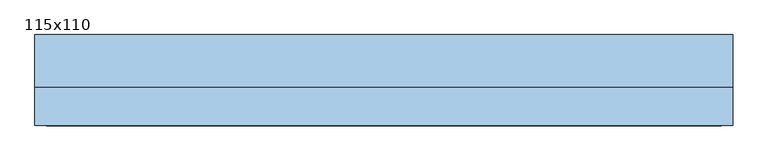
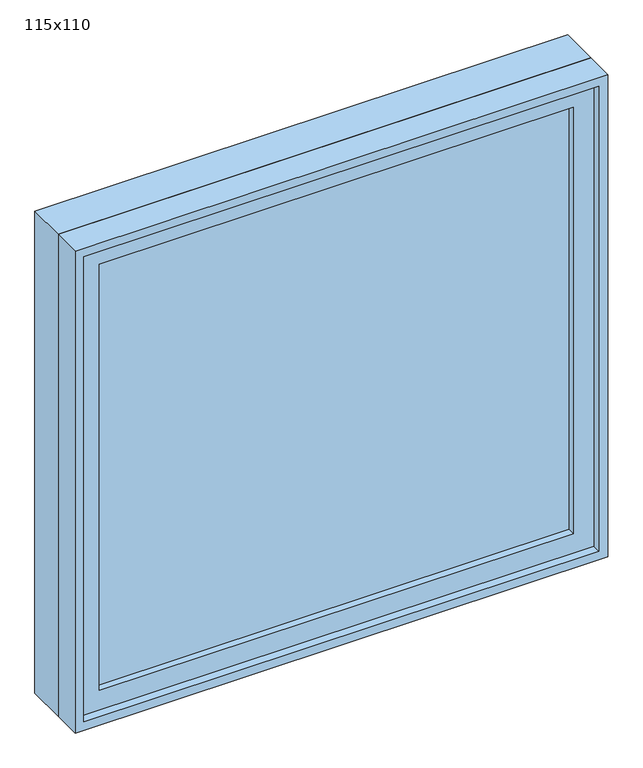
"""IFC4 building model written with IfcOpenShell, lengths in millimetres: window geometry, 115x110."""

from ifc_helpers import new_model, si_unit, frame, origin, place, context, project, spatial, polyline, outline, extrude, source, transform, mapped, element, save


def window_115x110_1fe9a03f(model_context):
    return source(origin(), model_context, "Body", "SweptSolid", [
        extrude(outline(polyline([(473.4, -27.375), (473.4, -40.075), (-549.6, -40.075), (-549.6, -27.375), (473.4, -27.375)])), frame((0.0, 0.0, 977.9), z_axis=(0.0, 0.0, 1.0), x_axis=(1.0, 0.0, 0.0)), (0.0, 0.0, 1.0), 973.0),
        extrude(outline(polyline([(1995.35, -594.05), (933.45, -594.05), (933.45, 517.85), (1995.35, 517.85), (1995.35, -594.05)]), holes=[polyline([(1950.9, -549.6), (1950.9, 473.4), (977.9, 473.4), (977.9, -549.6), (1950.9, -549.6)])]), frame((0.0, -55.95, 0.0), z_axis=(0.0, 1.0, 0.0), x_axis=(0.0, 0.0, 1.0)), (0.0, 0.0, 1.0), 44.45),
        extrude(outline(polyline([(2014.4, -613.1), (914.4, -613.1), (914.4, 536.9), (2014.4, 536.9), (2014.4, -613.1)]), holes=[polyline([(1982.65, -581.35), (1982.65, 505.15), (946.15, 505.15), (946.15, -581.35), (1982.65, -581.35)])]), frame((0.0, -11.5, 0.0), z_axis=(0.0, 1.0, 0.0), x_axis=(0.0, 0.0, 1.0)), (0.0, 0.0, 1.0), 86.5),
        extrude(outline(polyline([(2014.4, 536.9), (2014.4, -613.1), (914.4, -613.1), (914.4, 536.9), (2014.4, 536.9)]), holes=[polyline([(1995.35, 517.85), (933.45, 517.85), (933.45, -594.05), (1995.35, -594.05), (1995.35, 517.85)])]), frame((0.0, -75.0, 0.0), z_axis=(0.0, 1.0, 0.0), x_axis=(0.0, 0.0, 1.0)), (0.0, 0.0, 1.0), 63.5),
    ])


if __name__ == "__main__":
    model = new_model("IFC4")
    model_context = context("Model", 3, world=origin())
    ifc_project = project(units=[si_unit("LENGTHUNIT", "METRE", prefix="MILLI")], contexts=[model_context])
    site = spatial("IfcSite", under=ifc_project)
    building = spatial("IfcBuilding", under=site)
    placement = place(None, origin())
    window_115x110_shape = window_115x110_1fe9a03f(model_context)
    element("IfcWindow", 1, ObjectType="115x110", at=placement, inside=building, context=model_context, shape_type="MappedRepresentation", body=[
        mapped(window_115x110_shape, transform((0.0, 0.0, 0.0), x_axis=(1.0, 0.0, 0.0), y_axis=(0.0, 1.0, 0.0), z_axis=(0.0, 0.0, 1.0))),
    ])
    save(model, "model.ifc")
